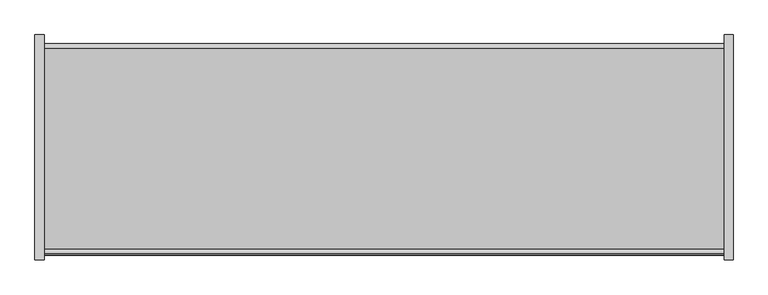
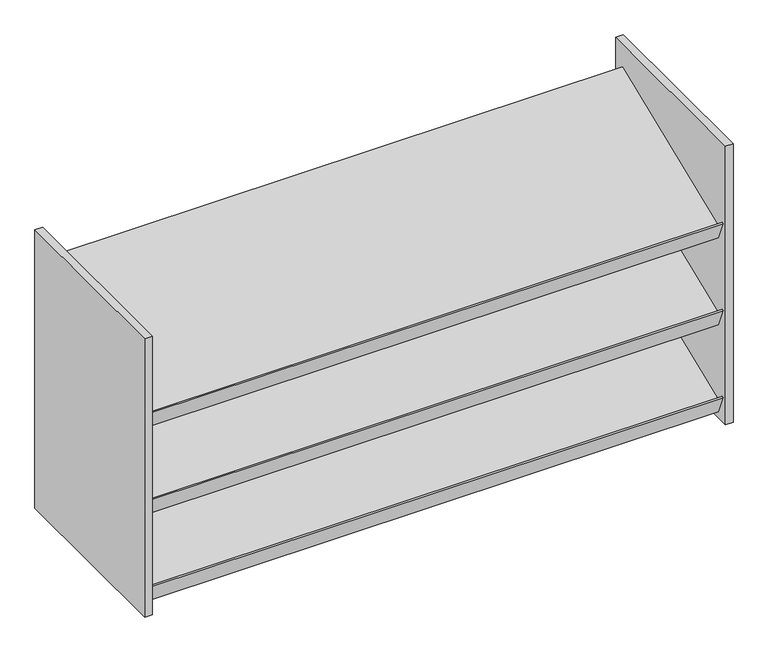
"""IFC4 building model written with IfcOpenShell, lengths in millimetres: furniture geometry."""

import ifcopenshell
import ifcopenshell.guid

model = None  # the IFC model being written
_history = None  # IfcOwnerHistory: only IFC2X3 demands one
_inside = {}  # id of a spatial element -> (the spatial element, [elements in it])
_under = {}  # id of a project, library or spatial element -> (it, [spatial elements below it])
_declared = {}  # id of a project -> (the project, [libraries it declares])
_typed = {}  # id of a type object -> (the type object, [elements of that type])
_made_of = {}  # id of a material, layer set ... -> (it, [elements and type objects made of it])


def new_model(schema):
    """Start an empty IFC model of exactly this schema.

    Asked for "IFC4X3", IfcOpenShell would pick the latest addendum, in which some entities
    have other attributes; the version numbers below select the first issue.
    IFC2X3 requires an IfcOwnerHistory on every rooted entity: one is made here for all.
    """
    global model, _history
    if schema == "IFC4X3":
        model = ifcopenshell.file(schema_version=(4, 3, 0, 0))
    else:
        model = ifcopenshell.file(schema=schema)
    _inside.clear()
    _under.clear()
    _declared.clear()
    _typed.clear()
    _made_of.clear()
    _history = None
    if model.schema == "IFC2X3":
        org = make("IfcOrganization", Name="unknown")
        user = make(
            "IfcPersonAndOrganization",
            ThePerson=make("IfcPerson", FamilyName="unknown"),
            TheOrganization=org,
        )
        app = make(
            "IfcApplication",
            ApplicationDeveloper=org,
            Version="unknown",
            ApplicationFullName="unknown",
            ApplicationIdentifier="unknown",
        )
        _history = make(
            "IfcOwnerHistory",
            OwningUser=user,
            OwningApplication=app,
            ChangeAction="ADDED",
            CreationDate=0,
        )
    return model


def make(cls, **values):
    """One entity of the class cls with the attributes given. An attribute that is None is left unset."""
    return model.create_entity(
        cls, **{name: value for name, value in values.items() if value is not None}
    )


def rooted(cls, **values):
    """An entity with a GlobalId (a new one), such as an element, a storey or a relation."""
    return make(cls, GlobalId=ifcopenshell.guid.new(), OwnerHistory=_history, **values)


def si_unit(unit_type, name, prefix=None):
    """IfcSIUnit, for example si_unit("LENGTHUNIT", "METRE", prefix="MILLI")."""
    return make("IfcSIUnit", UnitType=unit_type, Prefix=prefix, Name=name)


def assignment(units):
    """IfcUnitAssignment: the units of a project."""
    return None if units is None else make("IfcUnitAssignment", Units=units)


def point(xyz):
    """IfcCartesianPoint."""
    return None if xyz is None else make("IfcCartesianPoint", Coordinates=xyz)


def direction(xyz):
    """IfcDirection."""
    return None if xyz is None else make("IfcDirection", DirectionRatios=xyz)


def frame(location, z_axis=None, x_axis=None):
    """IfcAxis2Placement3D, a coordinate frame: its origin and axes. An axis left out is left unset."""
    return make(
        "IfcAxis2Placement3D",
        Location=point(location),
        Axis=direction(z_axis),
        RefDirection=direction(x_axis),
    )


def origin():
    """The frame at (0, 0, 0) with its axes left unset."""
    return frame((0.0, 0.0, 0.0))


def place(relative_to, where):
    """IfcLocalPlacement: puts the frame where relative to a parent placement (None: the world)."""
    return make(
        "IfcLocalPlacement", PlacementRelTo=relative_to, RelativePlacement=where
    )


def context(
    kind, dimensions, precision=None, world=None, true_north=None, identifier=None
):
    """IfcGeometricRepresentationContext, for example the 3D "Model" context."""
    return make(
        "IfcGeometricRepresentationContext",
        ContextIdentifier=identifier,
        ContextType=kind,
        CoordinateSpaceDimension=dimensions,
        Precision=precision,
        WorldCoordinateSystem=world,
        TrueNorth=true_north,
    )


def project(units=None, contexts=None):
    """IfcProject with its units and contexts."""
    return rooted(
        "IfcProject",
        Name="project",
        RepresentationContexts=contexts,
        UnitsInContext=assignment(units),
    )


def spatial(cls, under=None, at=None, **own):
    """A site, building, storey or space (cls), placed at a placement, below another one or the project."""
    s = rooted(cls, ObjectPlacement=at, **own)
    if under is not None:
        _under.setdefault(under.id(), (under, []))[1].append(s)
    return s


def polyline(points):
    """IfcPolyline through the points."""
    return make("IfcPolyline", Points=[point(p) for p in points])


def outline(outer, holes=None, kind="AREA"):
    """IfcArbitraryClosedProfileDef: a profile drawn as a closed curve; with holes, ...WithVoids."""
    if holes is None:
        return make("IfcArbitraryClosedProfileDef", ProfileType=kind, OuterCurve=outer)
    return make(
        "IfcArbitraryProfileDefWithVoids",
        ProfileType=kind,
        OuterCurve=outer,
        InnerCurves=holes,
    )


def extrude(swept, where, along, depth):
    """IfcExtrudedAreaSolid: the profile swept, set in the frame where, extruded along a direction by depth."""
    return make(
        "IfcExtrudedAreaSolid",
        SweptArea=swept,
        Position=where,
        ExtrudedDirection=direction(along),
        Depth=depth,
    )


def shape(context_of_items, identifier, shape_type, items):
    """IfcShapeRepresentation: the items that make up one representation, for example the "Body"."""
    return make(
        "IfcShapeRepresentation",
        ContextOfItems=context_of_items,
        RepresentationIdentifier=identifier,
        RepresentationType=shape_type,
        Items=items,
    )


def source(mapping_origin, context_of_items, identifier, shape_type, items):
    """IfcRepresentationMap: a shape defined once, which mapped items show again and again."""
    return make(
        "IfcRepresentationMap",
        MappingOrigin=mapping_origin,
        MappedRepresentation=shape(context_of_items, identifier, shape_type, items),
    )


def transform(
    local_origin,
    x_axis=None,
    y_axis=None,
    z_axis=None,
    scale=None,
    scale2=None,
    scale3=None,
    uniform=True,
):
    """IfcCartesianTransformationOperator3D, or its non-uniform kind. x_axis, y_axis, z_axis: its Axis1, 2, 3."""
    if uniform:
        return make(
            "IfcCartesianTransformationOperator3D",
            Axis1=direction(x_axis),
            Axis2=direction(y_axis),
            LocalOrigin=point(local_origin),
            Scale=scale,
            Axis3=direction(z_axis),
        )
    return make(
        "IfcCartesianTransformationOperator3DnonUniform",
        Axis1=direction(x_axis),
        Axis2=direction(y_axis),
        LocalOrigin=point(local_origin),
        Scale=scale,
        Axis3=direction(z_axis),
        Scale2=scale2,
        Scale3=scale3,
    )


def mapped(mapping_source, mapping_target):
    """IfcMappedItem: shows the shape of a source again, moved by a transform."""
    return make(
        "IfcMappedItem", MappingSource=mapping_source, MappingTarget=mapping_target
    )


def made_of(thing, what):
    """Note that an element or type object is made of a material, layer set ...; save() writes the relation."""
    if what is not None:
        _made_of.setdefault(what.id(), (what, []))[1].append(thing)
    return thing


def element(
    cls,
    number,
    at=None,
    inside=None,
    cuts=None,
    type_object=None,
    material=None,
    context=None,
    identifier="Body",
    shape_type=None,
    held_by="IfcProductDefinitionShape",
    body=None,
    shapes=None,
    **own,
):
    """One element of the class cls, such as IfcWall. Its Tag is "e" and its number.

    at: its placement. inside: the storey or other place that contains it. cuts: it is an
    opening in that element (IfcRelVoidsElement). A single representation is given by context,
    identifier, shape_type and body (its items); several are given by shapes. held_by: the class
    of the entity that holds the representations. save() writes the other relations.
    """
    e = rooted(cls, Tag="e%d" % number, ObjectPlacement=at, **own)
    if body is not None:
        shapes = [shape(context, identifier, shape_type, body)]
    if shapes is not None:
        e.Representation = make(held_by, Representations=shapes)
    if inside is not None:
        _inside.setdefault(inside.id(), (inside, []))[1].append(e)
    if cuts is not None:
        rooted(
            "IfcRelVoidsElement", RelatingBuildingElement=cuts, RelatedOpeningElement=e
        )
    if type_object is not None:
        _typed.setdefault(type_object.id(), (type_object, []))[1].append(e)
    return made_of(e, material)


def aggregate(whole, parts):
    """IfcRelAggregates: a whole, such as a stair, and the parts it consists of."""
    return rooted("IfcRelAggregates", RelatingObject=whole, RelatedObjects=parts)


def save(model, path):
    """Write the relations noted so far, then the file.

    IfcRelAggregates (storeys below a building ...), IfcRelContainedInSpatialStructure (elements
    in a storey), IfcRelDefinesByType, IfcRelAssociatesMaterial and IfcRelDeclares: one each for
    every whole, place, type object, material and project.
    """
    for whole, parts in _under.values():
        aggregate(whole, parts)
    for where, things in _inside.values():
        rooted(
            "IfcRelContainedInSpatialStructure",
            RelatedElements=things,
            RelatingStructure=where,
        )
    for kind, things in _typed.values():
        rooted("IfcRelDefinesByType", RelatedObjects=things, RelatingType=kind)
    for what, things in _made_of.values():
        rooted("IfcRelAssociatesMaterial", RelatedObjects=things, RelatingMaterial=what)
    for by, libraries in _declared.values():
        rooted("IfcRelDeclares", RelatingContext=by, RelatedDefinitions=libraries)
    model.write(path)


def furniture_0e4d9985(model_context):
    return source(origin(), model_context, "Body", "SweptSolid", [
        extrude(outline(polyline([(-180.975, 1714.5), (-197.8336902, 1756.2267226), (-194.8898815, 1757.4160985), (-187.5461987, 1739.2398458), (162.7670411, 1880.775582), (172.2820486, 1857.2251121), (-180.975, 1714.5)])), frame((-593.725, 0.0, 0.0), z_axis=(1.0, 0.0, 0.0), x_axis=(0.0, 1.0, 0.0)), (0.0, 0.0, 1.0), 1187.45),
        extrude(outline(polyline([(-180.975, 1524.0), (-197.8336902, 1565.7267226), (-194.8898815, 1566.9160985), (-187.5461987, 1548.7398458), (162.7670411, 1690.275582), (172.2820486, 1666.7251121), (-180.975, 1524.0)])), frame((-593.725, 0.0, 0.0), z_axis=(1.0, 0.0, 0.0), x_axis=(0.0, 1.0, 0.0)), (0.0, 0.0, 1.0), 1187.45),
        extrude(outline(polyline([(-180.975, 1333.5), (-197.8336902, 1375.2267226), (-194.8898815, 1376.4160985), (-187.5461987, 1358.2398458), (162.7670411, 1499.775582), (172.2820486, 1476.2251121), (-180.975, 1333.5)])), frame((-593.725, 0.0, 0.0), z_axis=(1.0, 0.0, 0.0), x_axis=(0.0, 1.0, 0.0)), (0.0, 0.0, 1.0), 1187.45),
        extrude(outline(polyline([(-593.725, 187.325), (-593.725, -206.375), (-609.6, -206.375), (-609.6, 187.325), (-593.725, 187.325)])), frame((0.0, 0.0, 1320.8), z_axis=(0.0, 0.0, 1.0), x_axis=(1.0, 0.0, 0.0)), (0.0, 0.0, 1.0), 609.6),
        extrude(outline(polyline([(609.6, 187.325), (609.6, -206.375), (593.725, -206.375), (593.725, 187.325), (609.6, 187.325)])), frame((0.0, 0.0, 1320.8), z_axis=(0.0, 0.0, 1.0), x_axis=(1.0, 0.0, 0.0)), (0.0, 0.0, 1.0), 609.6),
    ])


if __name__ == "__main__":
    model = new_model("IFC4")
    model_context = context("Model", 3, world=origin())
    ifc_project = project(units=[si_unit("LENGTHUNIT", "METRE", prefix="MILLI")], contexts=[model_context])
    site = spatial("IfcSite", under=ifc_project)
    building = spatial("IfcBuilding", under=site)
    placement = place(None, origin())
    furniture_shape = furniture_0e4d9985(model_context)
    element("IfcFurniture", 1, at=placement, inside=building, context=model_context, shape_type="MappedRepresentation", body=[
        mapped(furniture_shape, transform((0.0, 0.0, 0.0), x_axis=(1.0, 0.0, 0.0), y_axis=(0.0, 1.0, 0.0), z_axis=(0.0, 0.0, 1.0))),
    ])
    save(model, "model.ifc")
